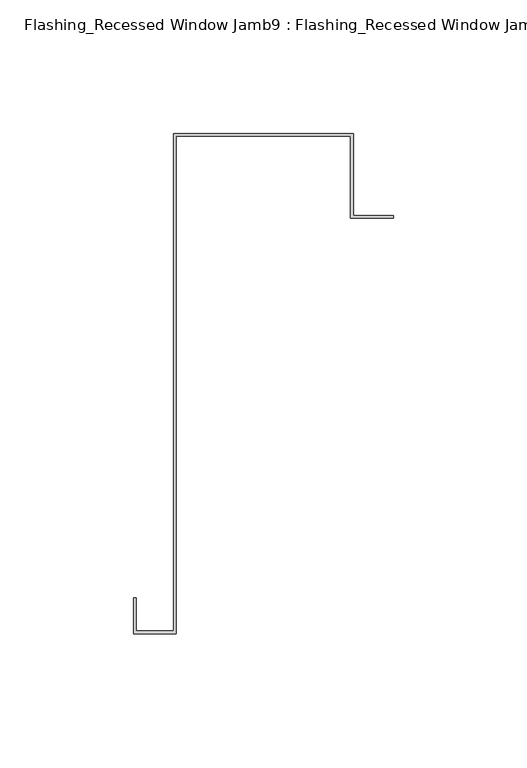
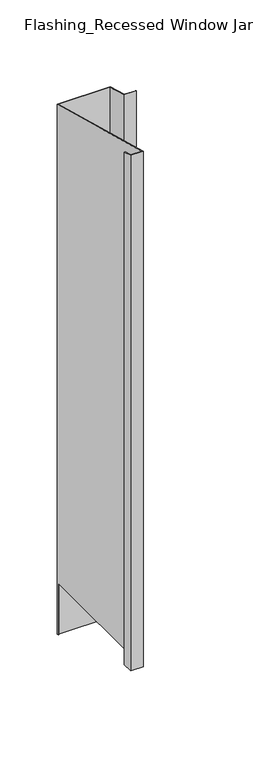
"""IFC4 building model written with IfcOpenShell, lengths in millimetres: proxy geometry, Flashing_Recessed Window Jamb9 : Flashing_Recessed Window Jamb."""

from ifc_helpers import new_model, si_unit, origin, place, context, project, spatial, faceted_brep, source, transform, mapped, element, save


def flashing_recessed_window_jamb9_flashing_recessed_window_jamb_2abb3ef2(model_context):
    return source(origin(), model_context, "Body", "Brep", [
        faceted_brep([(16292.8541786, 5626.9865096, -1055.1751138), (16292.8541786, 5657.7344915, -1055.1751138), (16227.4791786, 5657.7344915, -1055.1751138), (16227.4791786, 5656.8026399, -1055.1751138), (16226.4791786, 5656.8026399, -1055.1751138), (16226.4791786, 5658.7344915, -1055.1751138), (16293.8541786, 5658.7344915, -1055.1751138), (16293.8541786, 5627.9865096, -1055.1751138), (16308.8541786, 5627.9865096, -1055.1751138), (16308.8541786, 5626.9865096, -1055.1751138), (16293.8541786, 5658.7344915, -343.2151173), (16293.8541786, 5627.9865096, -334.9762204), (16226.4791786, 5658.7344915, -343.2151173), (16226.4791786, 5656.8026399, -985.662203), (16226.4791786, 5472.3615096, -985.662203), (16226.4791786, 5472.3615096, -293.2766273), (16212.4791786, 5472.3615096, -293.2766273), (16212.4791786, 5472.3615096, -985.662203), (16212.4791786, 5484.6872381, -296.5792963), (16212.4791786, 5484.6872381, -985.662203), (16211.4791786, 5484.6872381, -296.5792963), (16211.4791786, 5484.6872381, -985.662203), (16211.4791786, 5471.3615096, -293.0086781), (16211.4791786, 5471.3615096, -985.662203), (16227.4791786, 5471.3615096, -293.0086781), (16227.4791786, 5471.3615096, -985.662203), (16227.4791786, 5657.7344915, -342.9471681), (16227.4791786, 5656.8026399, -985.662203), (16292.8541786, 5657.7344915, -342.9471681), (16292.8541786, 5626.9865096, -334.7082712), (16308.8541786, 5626.9865096, -334.7082712), (16308.8541786, 5627.9865096, -334.9762204)], [[[0, 1, 2, 3, 4, 5, 6, 7, 8, 9]], [[7, 6, 10, 11]], [[6, 5, 12, 10]], [[12, 5, 4, 13, 14, 15]], [[16, 15, 14, 17]], [[18, 16, 17, 19]], [[20, 18, 19, 21]], [[22, 20, 21, 23]], [[24, 22, 23, 25]], [[2, 26, 24, 25, 27, 3]], [[2, 1, 28, 26]], [[1, 0, 29, 28]], [[0, 9, 30, 29]], [[9, 8, 31, 30]], [[8, 7, 11, 31]], [[11, 10, 12, 15, 16, 18, 20, 22, 24, 26, 28, 29, 30, 31]], [[13, 27, 25, 23, 21, 19, 17, 14]], [[27, 13, 4, 3]]]),
    ])


if __name__ == "__main__":
    model = new_model("IFC4")
    model_context = context("Model", 3, world=origin())
    ifc_project = project(units=[si_unit("LENGTHUNIT", "METRE", prefix="MILLI")], contexts=[model_context])
    site = spatial("IfcSite", under=ifc_project)
    building = spatial("IfcBuilding", under=site)
    placement = place(None, origin())
    flashing_recessed_window_jamb9_flashing_recessed_window_jamb_shape = flashing_recessed_window_jamb9_flashing_recessed_window_jamb_2abb3ef2(model_context)
    element("IfcBuildingElementProxy", 1, Name="Flashing_Recessed Window Jamb9 : Flashing_Recessed Window Jamb", ObjectType="Flashing_Recessed Window Jamb9 : Flashing_Recessed Window Jamb", at=placement, inside=building, context=model_context, shape_type="MappedRepresentation", body=[
        mapped(flashing_recessed_window_jamb9_flashing_recessed_window_jamb_shape, transform((0.0, 0.0, 0.0), x_axis=(1.0, 0.0, 0.0), y_axis=(0.0, 1.0, 0.0), z_axis=(0.0, 0.0, 1.0))),
    ])
    save(model, "model.ifc")
